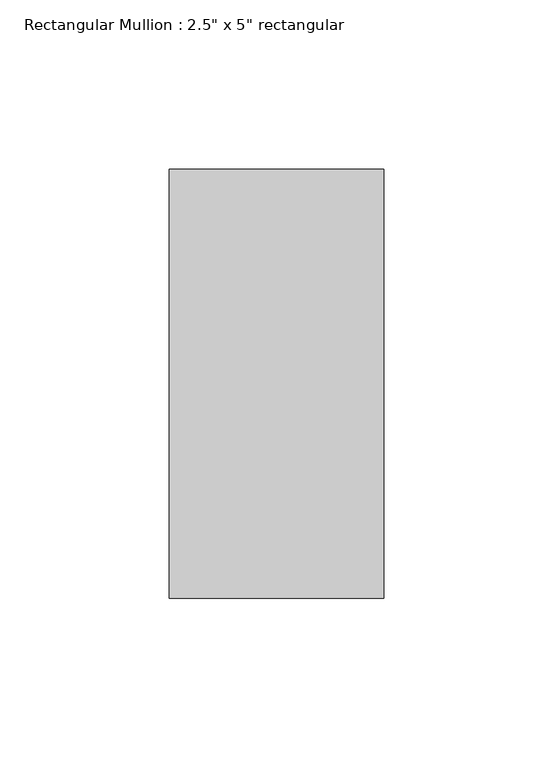
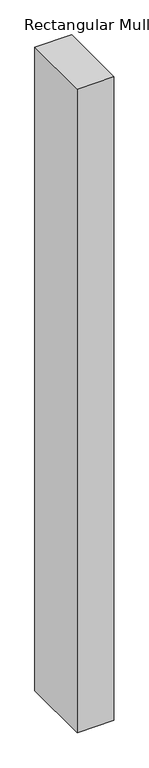
"""IFC4 building model written with IfcOpenShell, lengths in millimetres: member geometry."""

from ifc_helpers import new_model, si_unit, frame, origin, place, context, project, spatial, polyline, outline, extrude, source, transform, mapped, element, save


def member_a9717608(model_context):
    return source(origin(), model_context, "Body", "SweptSolid", [
        extrude(outline(polyline([(31.75, 63.5), (31.75, -63.5), (-31.75, -63.5), (-31.75, 63.5), (31.75, 63.5)])), frame((0.0, 0.0, -1178.325), z_axis=(0.0, 0.0, 1.0), x_axis=(1.0, 0.0, 0.0)), (0.0, 0.0, 1.0), 1178.325),
    ])


if __name__ == "__main__":
    model = new_model("IFC4")
    model_context = context("Model", 3, world=origin())
    ifc_project = project(units=[si_unit("LENGTHUNIT", "METRE", prefix="MILLI")], contexts=[model_context])
    site = spatial("IfcSite", under=ifc_project)
    building = spatial("IfcBuilding", under=site)
    placement = place(None, origin())
    member_shape = member_a9717608(model_context)
    element("IfcMember", 1, ObjectType="Rectangular Mullion : 2.5\" x 5\" rectangular", at=placement, inside=building, context=model_context, shape_type="MappedRepresentation", body=[
        mapped(member_shape, transform((0.0, 0.0, 0.0), x_axis=(1.0, 0.0, 0.0), y_axis=(0.0, 1.0, 0.0), z_axis=(0.0, 0.0, 1.0))),
    ])
    save(model, "model.ifc")
